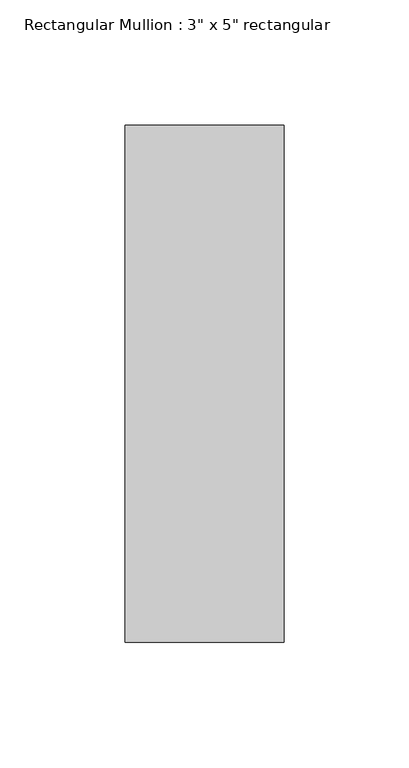
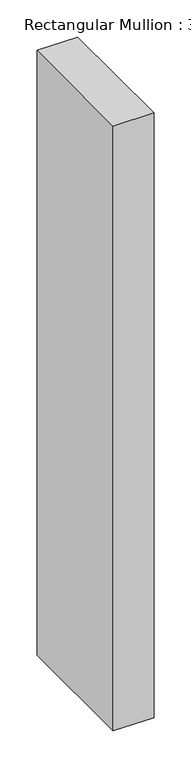
"""IFC4 building model written with IfcOpenShell, lengths in millimetres: member geometry."""

from ifc_helpers import new_model, si_unit, frame, origin, place, context, project, spatial, polyline, outline, extrude, source, transform, mapped, element, save


def member_7aeada1a(model_context):
    return source(origin(), model_context, "Body", "SweptSolid", [
        extrude(outline(polyline([(0.0, 90.551), (0.0, -115.951), (-63.5, -115.951), (-63.5, 90.551), (0.0, 90.551)])), frame((0.0, 0.0, -996.95), z_axis=(0.0, 0.0, 1.0), x_axis=(1.0, 0.0, 0.0)), (0.0, 0.0, 1.0), 996.95),
    ])


if __name__ == "__main__":
    model = new_model("IFC4")
    model_context = context("Model", 3, world=origin())
    ifc_project = project(units=[si_unit("LENGTHUNIT", "METRE", prefix="MILLI")], contexts=[model_context])
    site = spatial("IfcSite", under=ifc_project)
    building = spatial("IfcBuilding", under=site)
    placement = place(None, origin())
    member_shape = member_7aeada1a(model_context)
    element("IfcMember", 1, ObjectType="Rectangular Mullion : 3\" x 5\" rectangular", at=placement, inside=building, context=model_context, shape_type="MappedRepresentation", body=[
        mapped(member_shape, transform((0.0, 0.0, 0.0), x_axis=(1.0, 0.0, 0.0), y_axis=(0.0, 1.0, 0.0), z_axis=(0.0, 0.0, 1.0))),
    ])
    save(model, "model.ifc")
